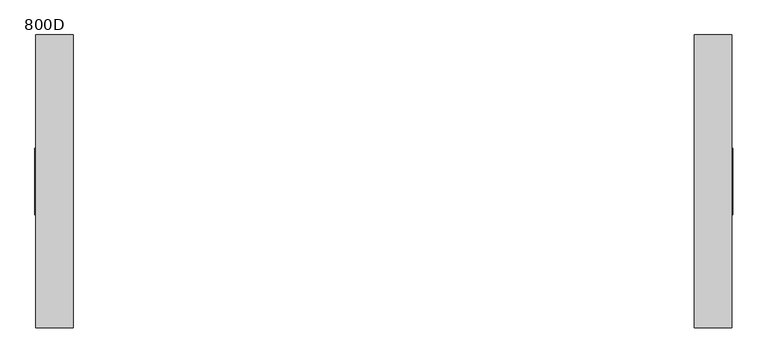
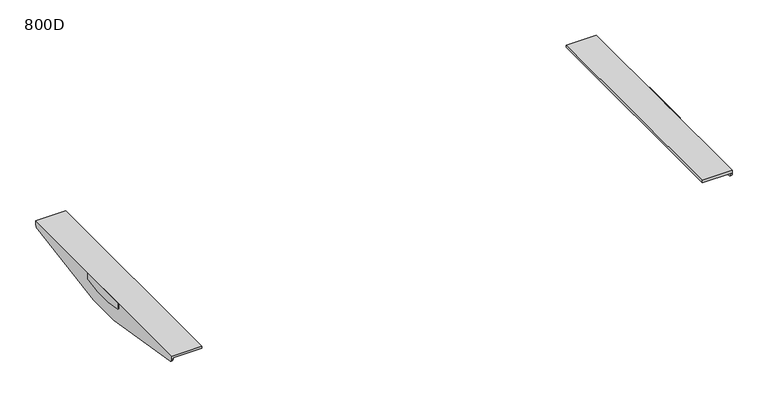
"""IFC4 building model written with IfcOpenShell, lengths in millimetres: furniture geometry, 800D."""

from ifc_helpers import new_model, si_unit, point, frame, frame_2d, origin, place, context, project, spatial, polyline, circle_curve, trimmed, segment, composite_curve, outline, extrude, source, transform, mapped, element, save
from ifc_brep_helpers import plane_surface, cylinder_surface, advanced_brep


def furniture_800d_e4774628(model_context):
    return source(origin(), model_context, "Body", "SolidModel", [
        advanced_brep(
        [(683.0000006, 287.4963324, 716.0), (683.0000006, 287.4963324, 708.4998128), (680.0000009, 287.4963324, 708.4998128), (680.0000009, 287.4963324, 710.4999723), (610.0000017, 287.4963324, 710.4999723), (610.0000017, 287.4963324, 716.0), (680.0000009, -287.5036993, 710.4999723), (680.0000009, -287.5036993, 708.4997591), (683.0000006, -287.5036993, 708.4997591), (683.0000006, -287.5036993, 716.0), (610.0000017, -287.5036993, 716.0), (610.0000017, -287.5036993, 710.4999723), (680.0000009, 279.1076002, 698.6304207), (680.0000009, 42.4967459, 660.0), (680.0000009, -42.5041219, 660.0), (680.0000009, -279.1150126, 698.6304207), (683.0000006, -279.1150126, 698.6304207), (683.0000006, -42.5041219, 660.0), (683.0000006, 42.4967459, 660.0), (683.0000006, 279.1076002, 698.6304207)],
        [
            (0, 1),
            (1, 2),
            (2, 3),
            (3, 4),
            (4, 5),
            (5, 0),
            (6, 7),
            (7, 8),
            (8, 9),
            (9, 10),
            (10, 11),
            (11, 6),
            (2, 12, circle_curve(frame((680.0000009, 277.4962677, 708.4998128), z_axis=(-1.0, 0.0, 0.0), x_axis=(0.0, -1.0, 0.0)), 10.0000647)),
            (12, 13),
            (13, 14),
            (14, 15),
            (15, 7, circle_curve(frame((680.0000009, -277.503689, 708.4997591), z_axis=(-1.0, 0.0, 0.0), x_axis=(0.0, -1.0, 0.0)), 10.0000103)),
            (6, 3),
            (11, 4),
            (10, 5),
            (9, 0),
            (8, 16, circle_curve(frame((683.0000006, -277.503689, 708.4997591), z_axis=(1.0, 0.0, 0.0), x_axis=(0.0, -1.0, 0.0)), 10.0000103)),
            (16, 17),
            (17, 18),
            (18, 19),
            (19, 1, circle_curve(frame((683.0000006, 277.4962677, 708.4998128), z_axis=(1.0, 0.0, 0.0), x_axis=(0.0, -1.0, 0.0)), 10.0000647)),
            (17, 14),
            (13, 18),
            (16, 15),
            (12, 19),
        ],
        [
            plane_surface(frame((683.0000006, 287.4963324, 660.0), z_axis=(0.0, 1.0, 0.0), x_axis=(1.0, 0.0, 0.0))),
            plane_surface(frame((683.0000006, -287.5036993, 660.0), z_axis=(0.0, -1.0, 0.0), x_axis=(-1.0, 0.0, 0.0))),
            plane_surface(frame((680.0000009, 287.4963324, 710.4999723), z_axis=(-1.0, 0.0, 0.0), x_axis=(0.0, -1.0, 0.0))),
            plane_surface(frame((610.0000017, 287.4963324, 710.4999723), z_axis=(0.0, 0.0, -1.0), x_axis=(0.0, -1.0, 0.0))),
            plane_surface(frame((610.0000017, 287.4963324, 716.0), z_axis=(-1.0, 0.0, 0.0), x_axis=(0.0, -1.0, 0.0))),
            plane_surface(frame((683.0000006, 287.4963324, 716.0), z_axis=(0.0, 0.0, 1.0), x_axis=(0.0, -1.0, 0.0))),
            plane_surface(frame((683.0000006, 287.4963324, 660.0), z_axis=(1.0, 0.0, 0.0), x_axis=(0.0, -1.0, 0.0))),
            plane_surface(frame((680.0000009, 287.4963324, 660.0), z_axis=(0.0, 0.0, -1.0), x_axis=(0.0, -1.0, 0.0))),
            plane_surface(frame((610.0000017, -42.5041219, 660.0), z_axis=(0.0, -0.16113218812194072, -0.9869328335560813), x_axis=(1.0, 0.0, 0.0))),
            cylinder_surface(frame((685.0, -277.503689, 708.4997591), z_axis=(1.0, 0.0, 0.0), x_axis=(0.0, -1.0, 0.0)), 10.0000103),
            plane_surface(frame((610.0000017, 279.1076002, 698.6304207), z_axis=(0.0, 0.16113221222328436, -0.9869328296211605), x_axis=(1.0, 0.0, 0.0))),
            cylinder_surface(frame((1200.0, 277.4962677, 708.4998128), z_axis=(1.0, 0.0, 0.0), x_axis=(0.0, -1.0, 0.0)), 10.0000647),
        ],
        [
            (0, [[1, 2, 3, 4, 5, 6]]),
            (1, [[7, 8, 9, 10, 11, 12]]),
            (2, [[-3, 13, 14, 15, 16, 17, -7, 18]]),
            (3, [[-18, -12, 19, -4]]),
            (4, [[-19, -11, 20, -5]]),
            (5, [[-20, -10, 21, -6]]),
            (6, [[-9, 22, 23, 24, 25, 26, -1, -21]]),
            (7, [[27, -15, 28, -24]]),
            (8, [[-16, -27, -23, 29]]),
            (9, [[-22, -8, -17, -29]]),
            (10, [[-25, -28, -14, 30]]),
            (11, [[-13, -2, -26, -30]]),
        ],
    ),
        extrude(outline(composite_curve([segment(polyline([(64.9962871, 716.0), (64.9962871, 705.7477915)]), True, "CONTINUOUS"), segment(trimmed(circle_curve(frame_2d((59.996269, 705.7477915)), 5.0000181), [point((64.9962871, 705.7477915))], [point((60.8043191, 700.8134996))], False, "CARTESIAN"), True, "CONTINUOUS"), segment(polyline([(60.8043191, 700.8134996), (21.9956935, 694.5405645), (-22.2562903, 694.5405645), (-60.8052275, 700.8531775)]), True, "CONTINUOUS"), segment(trimmed(circle_curve(frame_2d((-60.0513722, 705.7477915)), 4.9523271), [point((-60.8052275, 700.8531775))], [point((-65.0036994, 705.7477915))], False, "CARTESIAN"), True, "CONTINUOUS"), segment(polyline([(-65.0036994, 705.7477915), (-65.0036994, 716.0), (64.9962871, 716.0)]), True, "CONTINUOUS")], self_intersect=False)), frame((683.0000006, 0.0, 0.0), z_axis=(1.0, 0.0, 0.0), x_axis=(0.0, 1.0, 0.0)), (0.0, 0.0, 1.0), 1.9999994),
        advanced_brep(
        [(-680.0000009, 287.4963324, 710.4999723), (-680.0000009, 287.4963324, 708.4998128), (-683.0000006, 287.4963324, 708.4998128), (-683.0000006, 287.4963324, 716.0), (-610.0000017, 287.4963324, 716.0), (-610.0000017, 287.4963324, 710.4999723), (-683.0000006, -287.5036993, 716.0), (-683.0000006, -287.5036993, 708.4997591), (-680.0000009, -287.5036993, 708.4997591), (-680.0000009, -287.5036993, 710.4999723), (-610.0000017, -287.5036993, 710.4999723), (-610.0000017, -287.5036993, 716.0), (-680.0000009, -279.1150126, 698.6304207), (-680.0000009, -42.5041219, 660.0), (-680.0000009, 42.4967459, 660.0), (-680.0000009, 279.1076002, 698.6304207), (-683.0000006, 279.1076002, 698.6304207), (-683.0000006, 42.4967459, 660.0), (-683.0000006, -42.5041219, 660.0), (-683.0000006, -279.1150126, 698.6304207)],
        [
            (0, 1),
            (1, 2),
            (2, 3),
            (3, 4),
            (4, 5),
            (5, 0),
            (6, 7),
            (7, 8),
            (8, 9),
            (9, 10),
            (10, 11),
            (11, 6),
            (8, 12, circle_curve(frame((-680.0000009, -277.503689, 708.4997591), z_axis=(1.0, 0.0, 0.0), x_axis=(0.0, -1.0, 0.0)), 10.0000103)),
            (12, 13),
            (13, 14),
            (14, 15),
            (15, 1, circle_curve(frame((-680.0000009, 277.4962677, 708.4998128), z_axis=(1.0, 0.0, 0.0), x_axis=(0.0, -1.0, 0.0)), 10.0000647)),
            (0, 9),
            (5, 10),
            (4, 11),
            (3, 6),
            (2, 16, circle_curve(frame((-683.0000006, 277.4962677, 708.4998128), z_axis=(-1.0, 0.0, 0.0), x_axis=(0.0, -1.0, 0.0)), 10.0000647)),
            (16, 17),
            (17, 18),
            (18, 19),
            (19, 7, circle_curve(frame((-683.0000006, -277.503689, 708.4997591), z_axis=(-1.0, 0.0, 0.0), x_axis=(0.0, -1.0, 0.0)), 10.0000103)),
            (13, 18),
            (17, 14),
            (12, 19),
            (16, 15),
        ],
        [
            plane_surface(frame((-680.0000009, 287.4963324, 660.0), z_axis=(0.0, 1.0, 0.0), x_axis=(0.0, 0.0, 1.0))),
            plane_surface(frame((-680.0000009, -287.5036993, 660.0), z_axis=(0.0, -1.0, 0.0), x_axis=(0.0, 0.0, -1.0))),
            plane_surface(frame((-680.0000009, 287.4963324, 660.0), z_axis=(1.0, 0.0, 0.0), x_axis=(0.0, -1.0, 0.0))),
            plane_surface(frame((-680.0000009, 287.4963324, 710.4999723), z_axis=(0.0, 0.0, -1.0), x_axis=(0.0, -1.0, 0.0))),
            plane_surface(frame((-610.0000017, 287.4963324, 710.4999723), z_axis=(1.0, 0.0, 0.0), x_axis=(0.0, -1.0, 0.0))),
            plane_surface(frame((-610.0000017, 287.4963324, 716.0), z_axis=(0.0, 0.0, 1.0), x_axis=(0.0, -1.0, 0.0))),
            plane_surface(frame((-683.0000006, 287.4963324, 716.0), z_axis=(-1.0, 0.0, 0.0), x_axis=(0.0, -1.0, 0.0))),
            plane_surface(frame((-683.0000006, 287.4963324, 660.0), z_axis=(0.0, 0.0, -1.0), x_axis=(0.0, -1.0, 0.0))),
            plane_surface(frame((-610.0000017, -279.1150126, 698.6304207), z_axis=(0.0, -0.16113218812194124, -0.9869328335560812), x_axis=(-1.0, 0.0, 0.0))),
            cylinder_surface(frame((-683.0000006, -277.503689, 708.4997591), z_axis=(-1.0, 0.0, 0.0), x_axis=(0.0, -1.0, 0.0)), 10.0000103),
            plane_surface(frame((-610.0000017, 42.4967459, 660.0), z_axis=(0.0, 0.16113221222328436, -0.9869328296211605), x_axis=(-1.0, 0.0, 0.0))),
            cylinder_surface(frame((0.0, 277.4962677, 708.4998128), z_axis=(-1.0, 0.0, 0.0), x_axis=(0.0, -1.0, 0.0)), 10.0000647),
        ],
        [
            (0, [[1, 2, 3, 4, 5, 6]]),
            (1, [[7, 8, 9, 10, 11, 12]]),
            (2, [[-9, 13, 14, 15, 16, 17, -1, 18]]),
            (3, [[19, -10, -18, -6]]),
            (4, [[20, -11, -19, -5]]),
            (5, [[21, -12, -20, -4]]),
            (6, [[-3, 22, 23, 24, 25, 26, -7, -21]]),
            (7, [[27, -24, 28, -15]]),
            (8, [[-25, -27, -14, 29]]),
            (9, [[-13, -8, -26, -29]]),
            (10, [[-16, -28, -23, 30]]),
            (11, [[-22, -2, -17, -30]]),
        ],
    ),
        extrude(outline(composite_curve([segment(polyline([(64.9962871, 716.0), (64.9962871, 705.7477915)]), True, "CONTINUOUS"), segment(trimmed(circle_curve(frame_2d((59.996269, 705.7477915)), 5.0000181), [point((64.9962871, 705.7477915))], [point((60.8043191, 700.8134996))], False, "CARTESIAN"), True, "CONTINUOUS"), segment(polyline([(60.8043191, 700.8134996), (21.9956935, 694.5405645), (-22.2562903, 694.5405645), (-60.8052275, 700.8531775)]), True, "CONTINUOUS"), segment(trimmed(circle_curve(frame_2d((-60.0513722, 705.7477915)), 4.9523271), [point((-60.8052275, 700.8531775))], [point((-65.0036994, 705.7477915))], False, "CARTESIAN"), True, "CONTINUOUS"), segment(polyline([(-65.0036994, 705.7477915), (-65.0036994, 716.0), (64.9962871, 716.0)]), True, "CONTINUOUS")], self_intersect=False)), frame((-685.0, 0.0, 0.0), z_axis=(1.0, 0.0, 0.0), x_axis=(0.0, 1.0, 0.0)), (0.0, 0.0, 1.0), 1.9999994),
    ])


if __name__ == "__main__":
    model = new_model("IFC4")
    model_context = context("Model", 3, world=origin())
    ifc_project = project(units=[si_unit("LENGTHUNIT", "METRE", prefix="MILLI")], contexts=[model_context])
    site = spatial("IfcSite", under=ifc_project)
    building = spatial("IfcBuilding", under=site)
    placement = place(None, origin())
    furniture_800d_shape = furniture_800d_e4774628(model_context)
    element("IfcFurniture", 1, ObjectType="800D", at=placement, inside=building, context=model_context, shape_type="MappedRepresentation", body=[
        mapped(furniture_800d_shape, transform((0.0, 0.0, 0.0), x_axis=(1.0, 0.0, 0.0), y_axis=(0.0, 1.0, 0.0), z_axis=(0.0, 0.0, 1.0))),
    ])
    save(model, "model.ifc")
